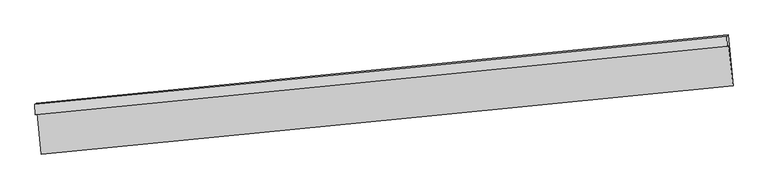
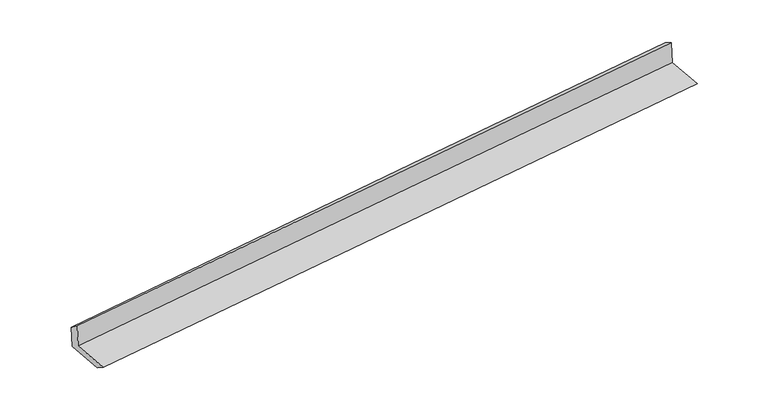
"""IFC4 building model written with IfcOpenShell, lengths in millimetres: proxy geometry."""

from ifc_helpers import new_model, si_unit, frame, origin, place, context, project, spatial, source, transform, mapped, element, save
from ifc_brep_helpers import plane_surface, spline_curve, spline_surface, advanced_brep


def generic_models_71f06e84(model_context):
    return source(origin(), model_context, "Body", "AdvancedBrep", [
        advanced_brep(
        [(-5925.343864, -2089.9777755, 1498.595804), (-5856.4463516, -2750.7638693, 1470.1935191), (5419.720361, -1637.4042383, 2218.6552162), (5350.8228486, -976.6181444, 2247.057501), (-5950.9262421, -2109.7886949, 1897.4446258), (5325.2404704, -996.4290639, 2645.9063229), (-5959.4493139, -1941.329766, 1773.9751154), (5315.4387884, -828.9602871, 2542.3713241), (-5935.04829, -1922.433684, 1393.5445101), (5340.1594648, -809.816667, 2156.9570909), (-5865.8581021, -2586.0267862, 1365.0215728), (5409.3496527, -1473.4097693, 2128.4341536)],
        [
            (0, 1),
            (1, 2, spline_curve(3, [(-5856.4463516, -2750.7638693, 1470.1935191), (-3706.838820785, -2540.994494897, 1618.6006337), (-1557.151255569, -2329.802524732, 1763.738302145), (2201.606182885, -1958.056953665, 2011.787549648), (3810.640855392, -1798.129047031, 2116.137113565), (5419.720361, -1637.4042383, 2218.6552162)], [4, 2, 4], [0.0, 21.30817803982267, 37.25624701680207])),
            (2, 3),
            (3, 0, spline_curve(3, [(5350.8228486, -976.6181444, 2247.057501), (3741.743342992, -1137.342953131, 2144.539398365), (2132.708670485, -1297.270859765, 2040.189834548), (-1626.048767969, -1669.016430832, 1792.140587045), (-3775.736333185, -1880.208401097, 1647.0029186), (-5925.343864, -2089.9777755, 1498.595804)], [4, 2, 4], [0.0, 15.9480689769794, 37.25624701680207])),
            (4, 0),
            (3, 5),
            (5, 4, spline_curve(3, [(5325.2404704, -996.4290639, 2645.9063229), (3716.359505453, -1157.000123826, 2540.292823476), (2107.438385319, -1316.840095869, 2434.172891373), (-1651.252324687, -1688.533991278, 2185.083288405), (-3801.05344162, -1899.813896667, 2041.71598789), (-5950.9262421, -2109.7886949, 1897.4446258)], [4, 2, 4], [0.0, 15.948059012708658, 37.25622373929226])),
            (6, 4),
            (5, 7),
            (7, 6, spline_curve(3, [(5315.4387884, -828.9602871, 2542.3713241), (3706.42127423, -989.637090014, 2438.886724107), (2097.500154566, -1149.47706169, 2332.766792231), (-1660.871564214, -1520.923932007, 2078.7038717), (-3810.246478341, -1731.873786386, 1928.691734323), (-5959.4493139, -1941.329766, 1773.9751154)], [4, 2, 4], [0.0, 15.948033624564925, 37.25616443010846])),
            (8, 6),
            (7, 9),
            (9, 8, spline_curve(3, [(5340.1594648, -809.816667, 2156.9570909), (3731.362386812, -970.322764912, 2050.035727458), (2122.547817705, -1130.080224327, 1942.254586089), (-1635.84103434, -1501.540361956, 1688.458786746), (-3785.429050059, -1712.655241922, 1541.769067272), (-5935.04829, -1922.433684, 1393.5445101)], [4, 2, 4], [0.0, 15.948021484970365, 37.25613607082971])),
            (10, 8),
            (9, 11),
            (11, 10, spline_curve(3, [(5409.3496527, -1473.4097693, 2128.4341536), (3800.552574856, -1633.915867075, 2021.512790205), (2191.738005342, -1793.673326505, 1913.731648898), (-1566.650846323, -2165.133464419, 1659.935849301), (-3716.238861698, -2376.24834397, 1513.246130629), (-5865.8581021, -2586.0267862, 1365.0215728)], [4, 2, 4], [0.0, 15.948013073004635, 37.256116419656045])),
            (1, 10),
            (11, 2),
        ],
        [
            spline_surface(3, 3, [[(-5925.343864, -2089.9777755, 1498.595804), (-3775.736333179, -1880.208400976, 1647.002918582), (-1626.048768057, -1669.016430523, 1792.140587015), (2132.708670551, -1297.270859996, 2040.18983457), (3741.743342987, -1137.342953385, 2144.539398448), (5350.8228486, -976.6181444, 2247.057501)], [(-5902.378026544, -2310.239806783, 1489.128375708), (-3752.770495723, -2100.470432259, 1637.53549029), (-1603.082930601, -1889.278461806, 1782.673158723), (2155.674508006, -1517.532891279, 2030.722406279), (3764.709180443, -1357.604984668, 2135.071970156), (5373.788686056, -1196.880175683, 2237.590072708)], [(-5879.412189056, -2530.501838017, 1479.660947392), (-3729.804658234, -2320.732463494, 1628.068061974), (-1580.117093113, -2109.54049314, 1773.205730407), (2178.640345495, -1737.794922613, 2021.254977962), (3787.675017932, -1577.867016002, 2125.60454194), (5396.754523544, -1417.142207017, 2228.122644492)], [(-5856.4463516, -2750.7638693, 1470.1935191), (-3706.838820779, -2540.994494776, 1618.600633682), (-1557.151255657, -2329.802524423, 1763.738302115), (2201.606182951, -1958.056953896, 2011.78754967), (3810.640855387, -1798.129047285, 2116.137113648), (5419.720361, -1637.4042383, 2218.6552162)]], [4, 4], [4, 2, 4], [0.0, 2.18167667741698], [0.0, 21.30817803982267, 37.25624701680207]),
            spline_surface(3, 3, [[(-5950.9262421, -2109.7886949, 1897.4446258), (-3801.053441882, -1899.813896525, 2041.715987816), (-1651.252324473, -1688.533991502, 2185.083288232), (2107.438385159, -1316.840095701, 2434.172891503), (3716.359505208, -1157.000123759, 2540.292823498), (5325.2404704, -996.4290639, 2645.9063229)], [(-5942.398782703, -2103.185055084, 1764.495018526), (-3792.614405618, -1893.278731327, 1910.144964731), (-1642.851138994, -1682.028137842, 2054.10238781), (2115.86181363, -1310.317017132, 2302.845205843), (3724.820784464, -1150.447733652, 2408.375015174), (5333.767929797, -989.825424084, 2512.956715626)], [(-5933.871323397, -2096.581415316, 1631.545411274), (-3784.175369443, -1886.743566175, 1778.573941667), (-1634.449953536, -1675.522284183, 1923.121487437), (2124.28524208, -1303.793938565, 2171.51752023), (3733.282063731, -1143.895343492, 2276.457206771), (5342.295389203, -983.221784216, 2380.007108274)], [(-5925.343864, -2089.9777755, 1498.595804), (-3775.736333179, -1880.208400976, 1647.002918582), (-1626.048768057, -1669.016430523, 1792.140587015), (2132.708670551, -1297.270859996, 2040.18983457), (3741.743342987, -1137.342953385, 2144.539398448), (5350.8228486, -976.6181444, 2247.057501)]], [4, 4], [4, 2, 4], [0.0, 1.2950063359235826], [0.0, 21.308164726583602, 37.25622373929226]),
            spline_surface(3, 3, [[(-5959.4493139, -1941.329766, 1773.9751154), (-3810.246478084, -1731.873786114, 1928.691734312), (-1660.871564001, -1520.923931781, 2078.703871899), (2097.500154407, -1149.477061859, 2332.766792083), (3706.421274455, -989.637089917, 2438.886724078), (5315.4387884, -828.9602871, 2542.3713241)], [(-5956.608289994, -1997.482742301, 1815.131618866), (-3807.182132711, -1787.853822919, 1966.36648548), (-1657.665150816, -1576.793951685, 2114.163677328), (2100.812898, -1205.264739803, 2366.568825208), (3709.734018049, -1045.424767861, 2472.688757203), (5318.706015742, -884.783212696, 2576.882990352)], [(-5953.767266006, -2053.635718599, 1856.288122334), (-3804.117787255, -1843.83385972, 2004.041236649), (-1654.458737658, -1632.663971599, 2149.623482802), (2104.125641566, -1261.052417757, 2400.370858378), (3713.046761615, -1101.212445815, 2506.490790373), (5321.973243058, -940.606138304, 2611.394656648)], [(-5950.9262421, -2109.7886949, 1897.4446258), (-3801.053441882, -1899.813896525, 2041.715987816), (-1651.252324473, -1688.533991502, 2185.083288232), (2107.438385159, -1316.840095701, 2434.172891503), (3716.359505208, -1157.000123759, 2540.292823498), (5325.2404704, -996.4290639, 2645.9063229)]], [4, 4], [4, 2, 4], [0.0, 0.6490908801028067], [0.0, 21.308130805543538, 37.25616443010846]),
            spline_surface(3, 3, [[(-5935.04829, -1922.433684, 1393.5445101), (-3785.429049868, -1712.65524182, 1541.76906758), (-1635.841034122, -1501.540362092, 1688.458786581), (2122.547817542, -1130.080224226, 1942.254586213), (3731.362386709, -970.322764931, 2050.035727501), (5340.1594648, -809.816667, 2156.9570909)], [(-5943.181964622, -1928.732378029, 1520.354711877), (-3793.701525929, -1719.061423281, 1670.743289834), (-1644.184544089, -1508.001552003, 1818.540481704), (2114.198596489, -1136.545836785, 2072.42532152), (3723.04868261, -976.760873265, 2179.652726374), (5331.919239319, -816.197873705, 2285.42850198)], [(-5951.315639278, -1935.031071971, 1647.164913623), (-3801.974002023, -1725.467604654, 1799.717512058), (-1652.528054034, -1514.46274187, 1948.622176776), (2105.849375459, -1143.011449299, 2202.596056776), (3714.734978555, -983.198981583, 2309.269725206), (5323.679013881, -822.579080395, 2413.89991302)], [(-5959.4493139, -1941.329766, 1773.9751154), (-3810.246478084, -1731.873786114, 1928.691734312), (-1660.871564001, -1520.923931781, 2078.703871899), (2097.500154407, -1149.477061859, 2332.766792083), (3706.421274455, -989.637089917, 2438.886724078), (5315.4387884, -828.9602871, 2542.3713241)]], [4, 4], [4, 2, 4], [0.0, 1.2843557387482756], [0.0, 21.308114585859347, 37.25613607082971]),
            spline_surface(3, 3, [[(-5865.8581021, -2586.0267862, 1365.0215728), (-3716.238861968, -2376.24834402, 1513.24613028), (-1566.650846322, -2165.133464392, 1659.935849281), (2191.738005342, -1793.673326526, 1913.731648913), (3800.552574609, -1633.915867231, 2021.512790201), (5409.3496527, -1473.4097693, 2128.4341536)], [(-5888.921498054, -2364.82908544, 1374.529218571), (-3739.302257922, -2155.05064326, 1522.753776051), (-1589.714242276, -1943.935763632, 1669.443495052), (2168.674609387, -1572.475625765, 1923.239294684), (3777.489178655, -1412.718166471, 2031.020435972), (5386.286256746, -1252.21206854, 2137.941799371)], [(-5911.984894046, -2143.63138476, 1384.036864329), (-3762.365653913, -1933.85294258, 1532.261421808), (-1612.777638167, -1722.738062852, 1678.951140809), (2145.611213496, -1351.277924986, 1932.746940442), (3754.425782663, -1191.520465692, 2040.52808173), (5363.222860754, -1031.01436776, 2147.449445129)], [(-5935.04829, -1922.433684, 1393.5445101), (-3785.429049868, -1712.65524182, 1541.76906758), (-1635.841034122, -1501.540362092, 1688.458786581), (2122.547817542, -1130.080224226, 1942.254586213), (3731.362386709, -970.322764931, 2050.035727501), (5340.1594648, -809.816667, 2156.9570909)]], [4, 4], [4, 2, 4], [0.0, 2.1909444039730914], [0.0, 21.30810334665141, 37.256116419656045]),
            spline_surface(3, 3, [[(-5856.4463516, -2750.7638693, 1470.1935191), (-3706.838820779, -2540.994494776, 1618.600633682), (-1557.151255657, -2329.802524423, 1763.738302115), (2201.606182951, -1958.056953896, 2011.78754967), (3810.640855387, -1798.129047285, 2116.137113648), (5419.720361, -1637.4042383, 2218.6552162)], [(-5859.583601781, -2695.851508263, 1435.136203652), (-3709.972167856, -2486.079111187, 1583.482465866), (-1560.317785855, -2274.912837746, 1729.137484505), (2198.316790438, -1903.262411439, 1979.102249419), (3807.278095136, -1743.391320592, 2084.595672495), (5416.263458241, -1582.739415291, 2188.581528662)], [(-5862.720851919, -2640.939147237, 1400.078888248), (-3713.10551489, -2431.163727609, 1548.364298095), (-1563.484316124, -2220.023151069, 1694.536666891), (2195.027397855, -1848.467868983, 1946.416949164), (3803.91533486, -1688.653593924, 2053.054231354), (5412.806555459, -1528.074592309, 2158.507841138)], [(-5865.8581021, -2586.0267862, 1365.0215728), (-3716.238861968, -2376.24834402, 1513.24613028), (-1566.650846322, -2165.133464392, 1659.935849281), (2191.738005342, -1793.673326526, 1913.731648913), (3800.552574609, -1633.915867231, 2021.512790201), (5409.3496527, -1473.4097693, 2128.4341536)]], [4, 4], [4, 2, 4], [0.0, 0.6354290386728992], [0.0, 21.308135181413945, 37.256172081091506]),
            plane_surface(frame((5360.121931, -1120.439695, 2323.2302681), z_axis=(0.9925613478852973, 0.10053932140996422, 0.0686572322086001), x_axis=(-0.06393051552244353, -0.049507605738479586, 0.9967255821734876))),
            plane_surface(frame((-5915.5120273, -2233.3867627, 1566.4625245), z_axis=(-0.9925613478852957, -0.10053932140995045, -0.06865723220864685), x_axis=(-0.1036091688469411, 0.9937005795633158, 0.04271180523434333))),
        ],
        [
            (0, [[1, 2, 3, 4]]),
            (1, [[5, -4, 6, 7]]),
            (2, [[8, -7, 9, 10]]),
            (3, [[11, -10, 12, 13]]),
            (4, [[14, -13, 15, 16]]),
            (5, [[17, -16, 18, -2]]),
            (6, [[-12, -9, -6, -3, -18, -15]]),
            (7, [[-1, -5, -8, -11, -14, -17]]),
        ],
    ),
    ])


if __name__ == "__main__":
    model = new_model("IFC4")
    model_context = context("Model", 3, world=origin())
    ifc_project = project(units=[si_unit("LENGTHUNIT", "METRE", prefix="MILLI")], contexts=[model_context])
    site = spatial("IfcSite", under=ifc_project)
    building = spatial("IfcBuilding", under=site)
    placement = place(None, origin())
    generic_models_shape = generic_models_71f06e84(model_context)
    element("IfcBuildingElementProxy", 1, Name="Generic Models", at=placement, inside=building, context=model_context, shape_type="MappedRepresentation", body=[
        mapped(generic_models_shape, transform((0.0, 0.0, 0.0), x_axis=(1.0, 0.0, 0.0), y_axis=(0.0, 1.0, 0.0), z_axis=(0.0, 0.0, 1.0))),
    ])
    save(model, "model.ifc")
